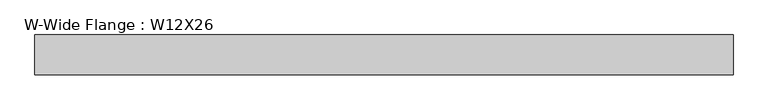
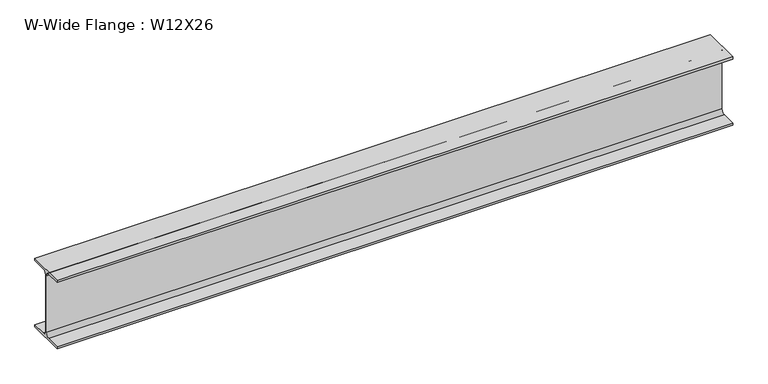
"""IFC4 building model written with IfcOpenShell, lengths in millimetres: beam geometry, W-Wide Flange : W12X26."""

from ifc_helpers import new_model, si_unit, point, frame, frame_2d, origin, place, context, project, spatial, polyline, circle_curve, trimmed, segment, composite_curve, outline, extrude, source, transform, mapped, element, save


def w_wide_flange_w12x26_594f79de(model_context):
    return source(origin(), model_context, "Body", "SweptSolid", [
        extrude(outline(composite_curve([segment(polyline([(82.423, -145.288), (82.423, -154.94), (-82.423, -154.94), (-82.423, -145.288), (-20.2565, -145.288)]), True, "CONTINUOUS"), segment(trimmed(circle_curve(frame_2d((-20.2565, -127.9525)), 17.3355), [point((-20.2565, -145.288))], [point((-2.921, -127.9525))], True, "CARTESIAN"), True, "CONTINUOUS"), segment(polyline([(-2.921, -127.9525), (-2.921, 127.9525)]), True, "CONTINUOUS"), segment(trimmed(circle_curve(frame_2d((-20.2565, 127.9525)), 17.3355), [point((-2.921, 127.9525))], [point((-20.2565, 145.288))], True, "CARTESIAN"), True, "CONTINUOUS"), segment(polyline([(-20.2565, 145.288), (-82.423, 145.288), (-82.423, 154.94), (82.423, 154.94), (82.423, 145.288), (20.2565, 145.288)]), True, "CONTINUOUS"), segment(trimmed(circle_curve(frame_2d((20.2565, 127.9525)), 17.3355), [point((20.2565, 145.288))], [point((2.921, 127.9525))], True, "CARTESIAN"), True, "CONTINUOUS"), segment(polyline([(2.921, 127.9525), (2.921, -127.9525)]), True, "CONTINUOUS"), segment(trimmed(circle_curve(frame_2d((20.2565, -127.9525)), 17.3355), [point((2.921, -127.9525))], [point((20.2565, -145.288))], True, "CARTESIAN"), True, "CONTINUOUS"), segment(polyline([(20.2565, -145.288), (82.423, -145.288)]), True, "CONTINUOUS")], self_intersect=False)), frame((-1447.8, 0.0, 0.0), z_axis=(1.0, 0.0, 0.0), x_axis=(0.0, 1.0, 0.0)), (0.0, 0.0, 1.0), 2895.6),
    ])


if __name__ == "__main__":
    model = new_model("IFC4")
    model_context = context("Model", 3, world=origin())
    ifc_project = project(units=[si_unit("LENGTHUNIT", "METRE", prefix="MILLI")], contexts=[model_context])
    site = spatial("IfcSite", under=ifc_project)
    building = spatial("IfcBuilding", under=site)
    placement = place(None, origin())
    w_wide_flange_w12x26_shape = w_wide_flange_w12x26_594f79de(model_context)
    element("IfcBeam", 1, ObjectType="W-Wide Flange : W12X26", at=placement, inside=building, context=model_context, shape_type="MappedRepresentation", body=[
        mapped(w_wide_flange_w12x26_shape, transform((0.0, 0.0, 0.0), x_axis=(1.0, 0.0, 0.0), y_axis=(0.0, 1.0, 0.0), z_axis=(0.0, 0.0, 1.0))),
    ])
    save(model, "model.ifc")
